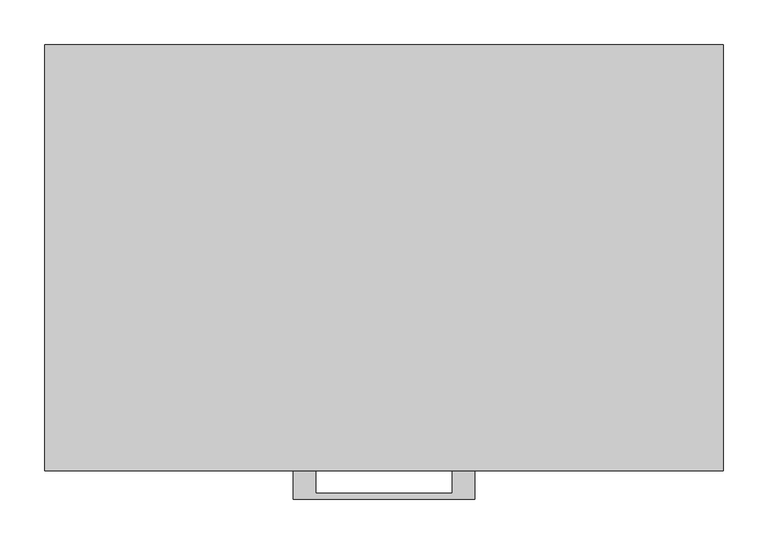
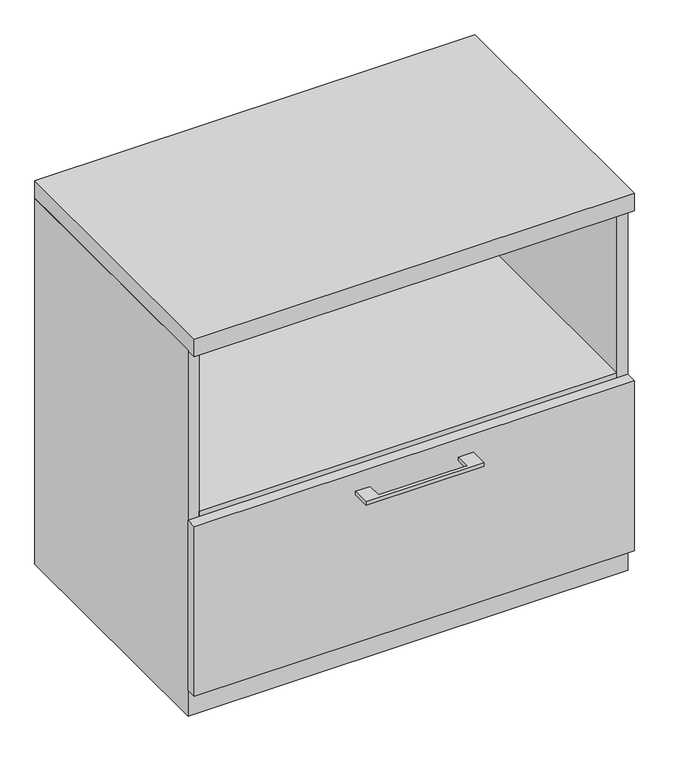
"""IFC4 building model written with IfcOpenShell, lengths in millimetres: furniture geometry."""

from ifc_helpers import new_model, si_unit, frame, origin, place, context, project, spatial, polyline, outline, extrude, faceted_brep, source, transform, mapped, element, save


def furniture_703e1496(model_context):
    return source(origin(), model_context, "Body", "SolidModel", [
        extrude(outline(polyline([(-76.1999818, -476.25), (-76.1999818, -501.6499758), (76.2, -501.6499758), (76.2, -476.25), (101.5999939, -476.25), (101.5999939, -507.9999879), (-101.5999939, -507.9999879), (-101.5999939, -476.25), (-76.1999818, -476.25)])), frame((0.0, 0.0, 317.5000506), z_axis=(0.0, 0.0, 1.0), x_axis=(1.0, 0.0, 0.0)), (0.0, 0.0, 1.0), 6.3499758),
        extrude(outline(polyline([(379.4125, -457.2), (379.4125, -476.25), (-379.4125, -476.25), (-379.4125, -457.2), (379.4125, -457.2)])), frame((0.0, 0.0, 47.625), z_axis=(0.0, 0.0, 1.0), x_axis=(1.0, 0.0, 0.0)), (0.0, 0.0, 1.0), 309.5625),
        faceted_brep([(379.4125, 0.0, 666.75), (-379.4125, 0.0, 666.75), (-379.4125, -457.2, 666.75), (-360.3625, -457.2, 666.75), (-360.3625, -19.05, 666.75), (360.3625, -19.05, 666.75), (360.3625, -457.2, 666.75), (379.4125, -457.2, 666.75), (379.4125, 0.0, 0.0), (-379.4125, 0.0, 0.0), (-379.4125, -457.2, 0.0), (379.4125, -457.2, 0.0), (360.3625, -457.2, 47.625), (-360.3625, -457.2, 47.625), (-360.3625, -19.05, 47.625), (360.3625, -19.05, 47.625)], [[[0, 1, 2, 3, 4, 5, 6, 7]], [[1, 0, 8, 9]], [[2, 1, 9, 10]], [[8, 0, 7, 11]], [[3, 2, 10, 11, 7, 6, 12, 13]], [[4, 3, 13, 14]], [[5, 4, 14, 15]], [[6, 5, 15, 12]], [[13, 12, 15, 14]], [[8, 11, 10, 9]]]),
        extrude(outline(polyline([(360.3625, -19.05), (360.3625, -457.2), (-360.3625, -457.2), (-360.3625, -19.05), (360.3625, -19.05)])), frame((0.0, 0.0, 347.6625), z_axis=(0.0, 0.0, 1.0), x_axis=(1.0, 0.0, 0.0)), (0.0, 0.0, 1.0), 19.05),
        extrude(outline(polyline([(379.4125, 0.0), (379.4125, -476.25), (-379.4125, -476.25), (-379.4125, 0.0), (379.4125, 0.0)])), frame((0.0, 0.0, 666.75), z_axis=(0.0, 0.0, 1.0), x_axis=(1.0, 0.0, 0.0)), (0.0, 0.0, 1.0), 31.75),
    ])


if __name__ == "__main__":
    model = new_model("IFC4")
    model_context = context("Model", 3, world=origin())
    ifc_project = project(units=[si_unit("LENGTHUNIT", "METRE", prefix="MILLI")], contexts=[model_context])
    site = spatial("IfcSite", under=ifc_project)
    building = spatial("IfcBuilding", under=site)
    placement = place(None, origin())
    furniture_shape = furniture_703e1496(model_context)
    element("IfcFurniture", 1, at=placement, inside=building, context=model_context, shape_type="MappedRepresentation", body=[
        mapped(furniture_shape, transform((0.0, 0.0, 0.0), x_axis=(1.0, 0.0, 0.0), y_axis=(0.0, 1.0, 0.0), z_axis=(0.0, 0.0, 1.0))),
    ])
    save(model, "model.ifc")
